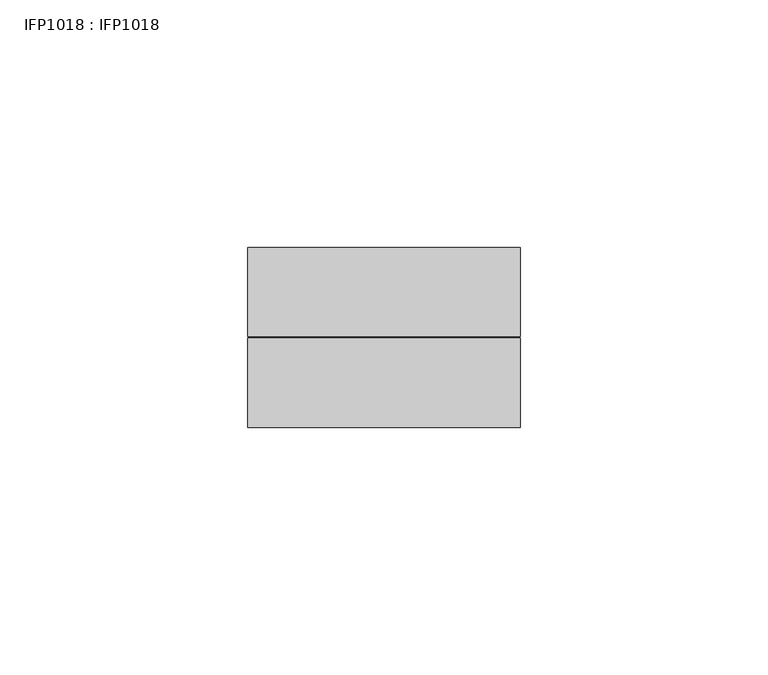
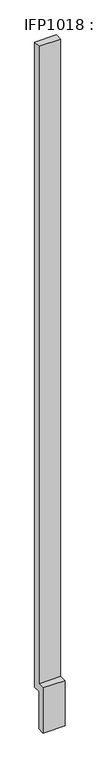
"""IFC4 building model written with IfcOpenShell, lengths in millimetres: proxy geometry, IFP1018 : IFP1018."""

from ifc_helpers import new_model, si_unit, frame, origin, place, context, project, spatial, polyline, outline, extrude, source, transform, mapped, element, save


def ifp1018_ifp1018_9ef797b1(model_context):
    return source(origin(), model_context, "Body", "SweptSolid", [
        extrude(outline(polyline([(36.0, 100.0), (18.0, 100.0), (18.0, 0.0), (0.0, 0.0), (0.0, 120.0), (18.0, 120.0), (18.0, 1810.0), (36.0, 1810.0), (36.0, 100.0)])), frame((0.0, 0.0, 0.0), z_axis=(1.0, 0.0, 0.0), x_axis=(0.0, 1.0, 0.0)), (0.0, 0.0, 1.0), 55.0),
    ])


if __name__ == "__main__":
    model = new_model("IFC4")
    model_context = context("Model", 3, world=origin())
    ifc_project = project(units=[si_unit("LENGTHUNIT", "METRE", prefix="MILLI")], contexts=[model_context])
    site = spatial("IfcSite", under=ifc_project)
    building = spatial("IfcBuilding", under=site)
    placement = place(None, origin())
    ifp1018_ifp1018_shape = ifp1018_ifp1018_9ef797b1(model_context)
    element("IfcBuildingElementProxy", 1, Name="IFP1018 : IFP1018", ObjectType="IFP1018 : IFP1018", at=placement, inside=building, context=model_context, shape_type="MappedRepresentation", body=[
        mapped(ifp1018_ifp1018_shape, transform((0.0, 0.0, 0.0), x_axis=(1.0, 0.0, 0.0), y_axis=(0.0, 1.0, 0.0), z_axis=(0.0, 0.0, 1.0))),
    ])
    save(model, "model.ifc")
